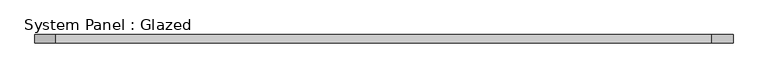
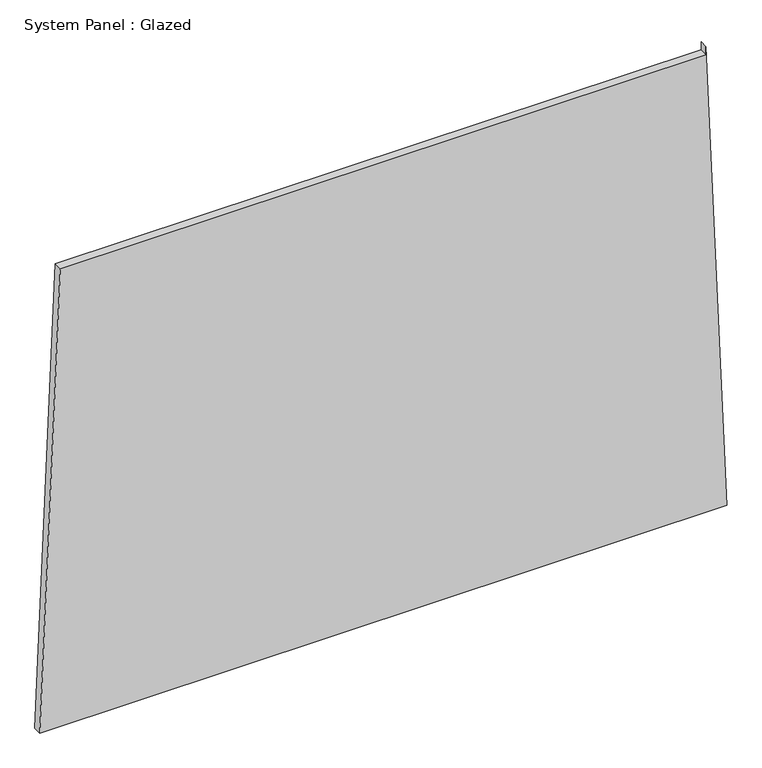
"""IFC4 building model written with IfcOpenShell, lengths in millimetres: plate geometry, System Panel : Glazed."""

from ifc_helpers import new_model, si_unit, frame, origin, place, context, project, spatial, polyline, outline, extrude, source, transform, mapped, element, save


def system_panel_glazed_f248f256(model_context):
    return source(origin(), model_context, "Body", "SweptSolid", [
        extrude(outline(polyline([(0.0, -1029.0359322), (0.0, 1029.0359322), (1473.652987, 966.5447482), (1448.652987, 966.5447478), (1448.6530141, -967.6052573), (0.0, -1029.0359322)])), frame((0.0, -49.5, 0.0), z_axis=(0.0, 1.0, 0.0), x_axis=(0.0, 0.0, 1.0)), (0.0, 0.0, 1.0), 25.0),
    ])


if __name__ == "__main__":
    model = new_model("IFC4")
    model_context = context("Model", 3, world=origin())
    ifc_project = project(units=[si_unit("LENGTHUNIT", "METRE", prefix="MILLI")], contexts=[model_context])
    site = spatial("IfcSite", under=ifc_project)
    building = spatial("IfcBuilding", under=site)
    placement = place(None, origin())
    system_panel_glazed_shape = system_panel_glazed_f248f256(model_context)
    element("IfcPlate", 1, ObjectType="System Panel : Glazed", at=placement, inside=building, context=model_context, shape_type="MappedRepresentation", body=[
        mapped(system_panel_glazed_shape, transform((0.0, 0.0, 0.0), x_axis=(1.0, 0.0, 0.0), y_axis=(0.0, 1.0, 0.0), z_axis=(0.0, 0.0, 1.0))),
    ])
    save(model, "model.ifc")
